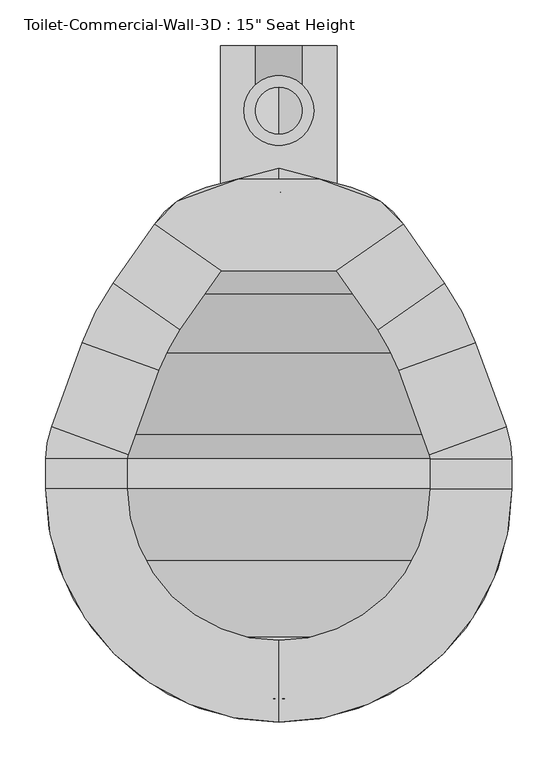
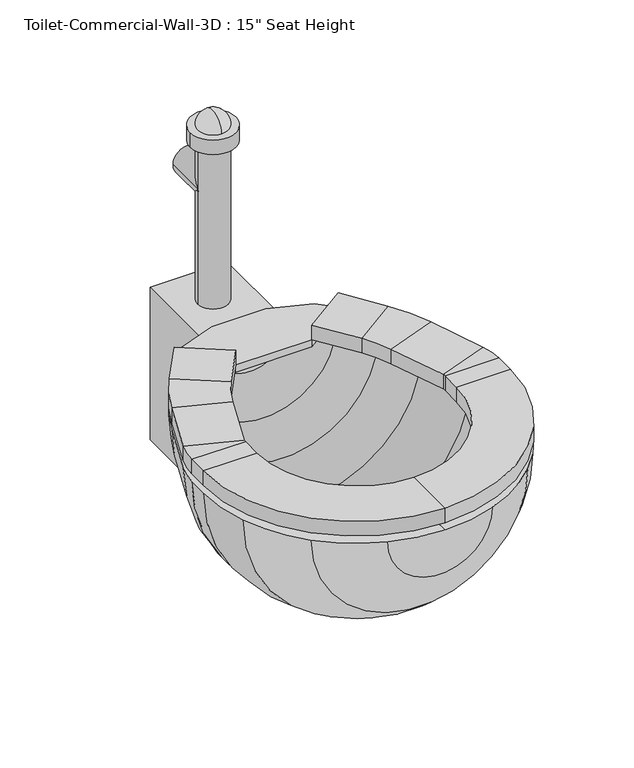
"""IFC4 building model written with IfcOpenShell, lengths in millimetres: flow terminal geometry."""

from ifc_helpers import new_model, si_unit, point, frame, frame_2d, origin, place, context, project, spatial, polyline, circle_curve, ellipse_curve, trimmed, segment, composite_curve, outline, extrude, source, transform, mapped, element, save
from ifc_brep_helpers import plane_surface, cylinder_surface, revolved_surface, advanced_brep


def flow_terminal_cba3f121(model_context):
    return source(origin(), model_context, "Body", "SolidModel", [
        extrude(outline(polyline([(467.7541169, -311.7097495), (342.0521907, -311.7097495), (269.229574, -260.7188043), (294.1800557, -235.7683226), (360.2423986, -211.7235961), (449.563909, -211.7235961), (515.6262519, -235.7683226), (540.5767337, -260.7188043), (467.7541169, -311.7097495)])), frame((0.0, 0.0, 342.9), z_axis=(0.0, 0.0, 1.0), x_axis=(1.0, 0.0, 0.0)), (0.0, 0.0, 1.0), 12.7),
        advanced_brep(
        [(467.7541169, -311.7097495, 355.6), (467.7541169, -311.7097495, 381.0), (540.5767337, -260.7188043, 381.0), (540.5767337, -260.7188043, 355.6), (585.6810159, -325.1343951, 355.6), (512.8583992, -376.1253403, 355.6), (585.6810159, -325.1343951, 381.0), (512.8583992, -376.1253403, 381.0), (619.360053, -389.8312234, 355.6), (535.821379, -420.2368141, 355.6), (619.360053, -389.8312234, 381.0), (535.821379, -420.2368141, 381.0), (652.7759241, -481.6405747, 355.6), (569.2372501, -512.0461654, 355.6), (652.7759241, -481.6405747, 381.0), (569.2372501, -512.0461654, 381.0), (658.9031538, -516.3898212, 355.6), (570.0031538, -516.3898212, 355.6), (658.9031538, -516.3898212, 381.0), (570.0031538, -516.3898212, 381.0), (658.9031538, -549.275, 355.6), (570.0031538, -549.275, 355.6), (658.9031538, -549.275, 381.0), (570.0031538, -549.275, 381.0), (404.9031538, -803.275, 355.6), (404.9031538, -714.375, 355.6), (404.9031538, -803.275, 381.0), (404.9031538, -714.375, 381.0), (150.9031538, -549.275, 355.6), (239.8031538, -549.275, 355.6), (150.9031538, -549.275, 381.0), (239.8031538, -549.275, 381.0), (150.9031538, -516.3898212, 355.6), (239.8031538, -516.3898212, 355.6), (150.9031538, -516.3898212, 381.0), (239.8031538, -516.3898212, 381.0), (157.0303835, -481.6405747, 355.6), (240.5690575, -512.0461654, 355.6), (157.0303835, -481.6405747, 381.0), (240.5690575, -512.0461654, 381.0), (190.4462546, -389.8312234, 355.6), (273.9849286, -420.2368141, 355.6), (190.4462546, -389.8312234, 381.0), (273.9849286, -420.2368141, 381.0), (224.1252917, -325.1343951, 355.6), (296.9479084, -376.1253403, 355.6), (224.1252917, -325.1343951, 381.0), (296.9479084, -376.1253403, 381.0), (342.0521907, -311.7097495, 355.6), (269.229574, -260.7188043, 355.6), (269.229574, -260.7188043, 381.0), (342.0521907, -311.7097495, 381.0)],
        [
            (0, 1),
            (1, 2),
            (2, 3),
            (3, 0),
            (3, 4),
            (4, 5),
            (5, 0),
            (2, 6),
            (6, 4),
            (1, 7),
            (7, 6),
            (5, 7),
            (8, 9),
            (9, 5, circle_curve(frame((356.8099347, -485.3916514, 355.6), z_axis=(0.0, 0.0, 1.0), x_axis=(0.81915204428899, 0.5735764363510486, 0.0)), 190.5)),
            (4, 8, circle_curve(frame((356.8099347, -485.3916514, 355.6), z_axis=(0.0, 0.0, -1.0), x_axis=(0.81915204428899, 0.5735764363510486, 0.0)), 279.4)),
            (10, 8),
            (6, 10, circle_curve(frame((356.8099347, -485.3916514, 381.0), z_axis=(0.0, 0.0, -1.0), x_axis=(0.81915204428899, 0.5735764363510486, 0.0)), 279.4)),
            (11, 10),
            (7, 11, circle_curve(frame((356.8099347, -485.3916514, 381.0), z_axis=(0.0, 0.0, -1.0), x_axis=(0.81915204428899, 0.5735764363510486, 0.0)), 190.5)),
            (9, 11),
            (8, 12),
            (12, 13),
            (13, 9),
            (10, 14),
            (14, 12),
            (11, 15),
            (15, 14),
            (13, 15),
            (16, 17),
            (17, 13, circle_curve(frame((557.3031538, -516.3898212, 355.6), z_axis=(0.0, 0.0, 1.0), x_axis=(0.9396926207859057, 0.3420201433256761, 0.0)), 12.7)),
            (12, 16, circle_curve(frame((557.3031538, -516.3898212, 355.6), z_axis=(0.0, 0.0, -1.0), x_axis=(0.9396926207859057, 0.3420201433256761, 0.0)), 101.6)),
            (18, 16),
            (14, 18, circle_curve(frame((557.3031538, -516.3898212, 381.0), z_axis=(0.0, 0.0, -1.0), x_axis=(0.9396926207859057, 0.3420201433256761, 0.0)), 101.6)),
            (19, 18),
            (15, 19, circle_curve(frame((557.3031538, -516.3898212, 381.0), z_axis=(0.0, 0.0, -1.0), x_axis=(0.9396926207859057, 0.3420201433256761, 0.0)), 12.7)),
            (17, 19),
            (16, 20),
            (20, 21),
            (21, 17),
            (18, 22),
            (22, 20),
            (19, 23),
            (23, 22),
            (21, 23),
            (24, 25),
            (25, 21, circle_curve(frame((404.9031538, -549.275, 355.6), z_axis=(0.0, 0.0, 1.0), x_axis=(1.0, 0.0, 0.0)), 165.1)),
            (20, 24, circle_curve(frame((404.9031538, -549.275, 355.6), z_axis=(0.0, 0.0, -1.0), x_axis=(1.0, 0.0, 0.0)), 254.0)),
            (26, 24),
            (22, 26, circle_curve(frame((404.9031538, -549.275, 381.0), z_axis=(0.0, 0.0, -1.0), x_axis=(1.0, 0.0, 0.0)), 254.0)),
            (27, 26),
            (23, 27, circle_curve(frame((404.9031538, -549.275, 381.0), z_axis=(0.0, 0.0, -1.0), x_axis=(1.0, 0.0, 0.0)), 165.1)),
            (25, 27),
            (28, 29),
            (29, 25, circle_curve(frame((404.9031538, -549.275, 355.6), z_axis=(0.0, 0.0, 1.0), x_axis=(0.0, -1.0, 0.0)), 165.1)),
            (24, 28, circle_curve(frame((404.9031538, -549.275, 355.6), z_axis=(0.0, 0.0, -1.0), x_axis=(0.0, -1.0, 0.0)), 254.0)),
            (30, 28),
            (26, 30, circle_curve(frame((404.9031538, -549.275, 381.0), z_axis=(0.0, 0.0, -1.0), x_axis=(0.0, -1.0, 0.0)), 254.0)),
            (31, 30),
            (27, 31, circle_curve(frame((404.9031538, -549.275, 381.0), z_axis=(0.0, 0.0, -1.0), x_axis=(0.0, -1.0, 0.0)), 165.1)),
            (29, 31),
            (28, 32),
            (32, 33),
            (33, 29),
            (30, 34),
            (34, 32),
            (31, 35),
            (35, 34),
            (33, 35),
            (36, 37),
            (37, 33, circle_curve(frame((252.5031538, -516.3898212, 355.6), z_axis=(0.0, 0.0, 1.0), x_axis=(-1.0, 0.0, 0.0)), 12.7)),
            (32, 36, circle_curve(frame((252.5031538, -516.3898212, 355.6), z_axis=(0.0, 0.0, -1.0), x_axis=(-1.0, 0.0, 0.0)), 101.6)),
            (38, 36),
            (34, 38, circle_curve(frame((252.5031538, -516.3898212, 381.0), z_axis=(0.0, 0.0, -1.0), x_axis=(-1.0, 0.0, 0.0)), 101.6)),
            (39, 38),
            (35, 39, circle_curve(frame((252.5031538, -516.3898212, 381.0), z_axis=(0.0, 0.0, -1.0), x_axis=(-1.0, 0.0, 0.0)), 12.7)),
            (37, 39),
            (36, 40),
            (40, 41),
            (41, 37),
            (38, 42),
            (42, 40),
            (39, 43),
            (43, 42),
            (41, 43),
            (44, 45),
            (45, 41, circle_curve(frame((452.9963729, -485.3916514, 355.6), z_axis=(0.0, 0.0, 1.0), x_axis=(-0.939692620785909, 0.3420201433256672, 0.0)), 190.5)),
            (40, 44, circle_curve(frame((452.9963729, -485.3916514, 355.6), z_axis=(0.0, 0.0, -1.0), x_axis=(-0.939692620785909, 0.3420201433256672, 0.0)), 279.4)),
            (46, 44),
            (42, 46, circle_curve(frame((452.9963729, -485.3916514, 381.0), z_axis=(0.0, 0.0, -1.0), x_axis=(-0.939692620785909, 0.3420201433256672, 0.0)), 279.4)),
            (47, 46),
            (43, 47, circle_curve(frame((452.9963729, -485.3916514, 381.0), z_axis=(0.0, 0.0, -1.0), x_axis=(-0.939692620785909, 0.3420201433256672, 0.0)), 190.5)),
            (45, 47),
            (48, 49),
            (49, 50),
            (50, 51),
            (51, 48),
            (44, 49),
            (48, 45),
            (46, 50),
            (47, 51),
        ],
        [
            plane_surface(frame((540.5767337, -260.7188043, 439.6203184), z_axis=(-0.5735764363510378, 0.8191520442889977, 0.0), x_axis=(0.8191520442889977, 0.5735764363510378, 0.0))),
            plane_surface(frame((467.7541169, -311.7097495, 355.6), z_axis=(0.0, 0.0, -1.0000000000000002), x_axis=(0.5735764363510382, -0.8191520442889975, 0.0))),
            plane_surface(frame((540.5767337, -260.7188043, 355.6), z_axis=(0.8191520442889976, 0.5735764363510379, 0.0), x_axis=(0.5735764363510379, -0.8191520442889976, 0.0))),
            plane_surface(frame((540.5767337, -260.7188043, 381.0), z_axis=(0.0, 0.0, 1.0), x_axis=(0.5735764363510377, -0.8191520442889977, 0.0))),
            plane_surface(frame((467.7541169, -311.7097495, 381.0), z_axis=(-0.819152044288997, -0.5735764363510387, 0.0), x_axis=(0.5735764363510387, -0.819152044288997, 0.0))),
            plane_surface(frame((356.8099347, -485.3916514, 355.6), z_axis=(0.0, 0.0, -1.0), x_axis=(0.81915204428899, 0.5735764363510486, 0.0))),
            cylinder_surface(frame((356.8099347, -485.3916514, 342.9), z_axis=(0.0, 0.0, 1.0), x_axis=(0.81915204428899, 0.5735764363510486, 0.0)), 279.4),
            plane_surface(frame((356.8099347, -485.3916514, 381.0), z_axis=(0.0, 0.0, 1.0), x_axis=(0.81915204428899, 0.5735764363510486, 0.0))),
            revolved_surface(polyline([(512.8583991370526, -376.12534027512527, 381.0), (512.8583991370526, -376.12534027512527, 355.6)]), (356.8099347, -485.3916514, 342.9), (0.0, 0.0, 1.0)),
            plane_surface(frame((535.821379, -420.2368141, 355.6), z_axis=(0.0, 0.0, -1.0), x_axis=(0.3420201433256634, -0.9396926207859103, 0.0))),
            plane_surface(frame((619.360053, -389.8312234, 355.6), z_axis=(0.9396926207859099, 0.34202014332566494, 0.0), x_axis=(0.34202014332566494, -0.9396926207859099, 0.0))),
            plane_surface(frame((619.360053, -389.8312234, 381.0), z_axis=(0.0, 0.0, 1.0), x_axis=(0.3420201433256647, -0.9396926207859099, 0.0))),
            plane_surface(frame((535.821379, -420.2368141, 381.0), z_axis=(-0.9396926207859101, -0.342020143325664, 0.0), x_axis=(0.342020143325664, -0.9396926207859101, 0.0))),
            plane_surface(frame((557.3031538, -516.3898212, 355.6), z_axis=(0.0, 0.0, -1.0000000000000002), x_axis=(0.9396926207859058, 0.34202014332567615, 0.0))),
            cylinder_surface(frame((557.3031538, -516.3898212, 342.9), z_axis=(0.0, 0.0, 1.0), x_axis=(0.9396926207859057, 0.3420201433256761, 0.0)), 101.6),
            plane_surface(frame((557.3031538, -516.3898212, 381.0), z_axis=(0.0, 0.0, 1.0000000000000002), x_axis=(0.9396926207859058, 0.34202014332567615, 0.0))),
            revolved_surface(polyline([(569.237250083981, -512.0461653797639, 381.0), (569.237250083981, -512.0461653797639, 355.6)]), (557.3031538, -516.3898212, 342.9), (0.0, 0.0, 1.0)),
            plane_surface(frame((570.0031538, -516.3898212, 355.6), z_axis=(0.0, 0.0, -1.0), x_axis=(0.0, -1.0, 0.0))),
            plane_surface(frame((658.9031538, -516.3898212, 355.6), z_axis=(1.0, 0.0, 0.0), x_axis=(0.0, -1.0, 0.0))),
            plane_surface(frame((658.9031538, -516.3898212, 381.0), z_axis=(0.0, 0.0, 1.0), x_axis=(0.0, -1.0, 0.0))),
            plane_surface(frame((570.0031538, -516.3898212, 381.0), z_axis=(-1.0, 0.0, 0.0), x_axis=(0.0, -1.0, 0.0))),
            plane_surface(frame((404.9031538, -549.275, 355.6), z_axis=(0.0, 0.0, -1.0), x_axis=(1.0, 0.0, 0.0))),
            cylinder_surface(frame((404.9031538, -549.275, 342.9), z_axis=(0.0, 0.0, 1.0), x_axis=(1.0, 0.0, 0.0)), 254.0),
            plane_surface(frame((404.9031538, -549.275, 381.0), z_axis=(0.0, 0.0, 1.0), x_axis=(1.0, 0.0, 0.0))),
            revolved_surface(polyline([(570.0031538, -549.275, 381.0), (570.0031538, -549.275, 355.6)]), (404.9031538, -549.275, 342.9), (0.0, 0.0, 1.0)),
            plane_surface(frame((404.9031538, -549.275, 355.6), z_axis=(0.0, 0.0, -1.0), x_axis=(0.0, -1.0, 0.0))),
            cylinder_surface(frame((404.9031538, -549.275, 342.9), z_axis=(0.0, 0.0, 1.0), x_axis=(0.0, -1.0, 0.0)), 254.0),
            plane_surface(frame((404.9031538, -549.275, 381.0), z_axis=(0.0, 0.0, 1.0), x_axis=(0.0, -1.0, 0.0))),
            revolved_surface(polyline([(404.9031538, -714.375, 381.0), (404.9031538, -714.375, 355.6)]), (404.9031538, -549.275, 342.9), (0.0, 0.0, 1.0)),
            plane_surface(frame((239.8031538, -549.275, 355.6), z_axis=(0.0, 0.0, -1.0), x_axis=(0.0, 1.0, 0.0))),
            plane_surface(frame((150.9031538, -549.275, 355.6), z_axis=(-1.0, 0.0, 0.0), x_axis=(0.0, 1.0, 0.0))),
            plane_surface(frame((150.9031538, -549.275, 381.0), z_axis=(0.0, 0.0, 1.0), x_axis=(0.0, 1.0, 0.0))),
            plane_surface(frame((239.8031538, -549.275, 381.0), z_axis=(1.0, 0.0, 0.0), x_axis=(0.0, 1.0, 0.0))),
            plane_surface(frame((252.5031538, -516.3898212, 355.6), z_axis=(0.0, 0.0, -1.0), x_axis=(-1.0, 0.0, 0.0))),
            cylinder_surface(frame((252.5031538, -516.3898212, 342.9), z_axis=(0.0, 0.0, 1.0), x_axis=(-1.0, 0.0, 0.0)), 101.6),
            plane_surface(frame((252.5031538, -516.3898212, 381.0), z_axis=(0.0, 0.0, 1.0), x_axis=(-1.0, 0.0, 0.0))),
            revolved_surface(polyline([(239.80315380000002, -516.3898212, 381.0), (239.80315380000002, -516.3898212, 355.6)]), (252.5031538, -516.3898212, 342.9), (0.0, 0.0, 1.0)),
            plane_surface(frame((240.5690575, -512.0461654, 355.6), z_axis=(0.0, 0.0, -1.0000000000000002), x_axis=(0.34202014332565606, 0.9396926207859131, 0.0))),
            plane_surface(frame((157.0303835, -481.6405747, 355.6), z_axis=(-0.9396926207859131, 0.34202014332565595, 0.0), x_axis=(0.34202014332565595, 0.9396926207859131, 0.0))),
            plane_surface(frame((157.0303835, -481.6405747, 381.0), z_axis=(0.0, 0.0, 1.0000000000000002), x_axis=(0.3420201433256557, 0.9396926207859132, 0.0))),
            plane_surface(frame((240.5690575, -512.0461654, 381.0), z_axis=(0.9396926207859131, -0.34202014332565606, 0.0), x_axis=(0.34202014332565606, 0.9396926207859131, 0.0))),
            plane_surface(frame((452.9963729, -485.3916514, 355.6), z_axis=(0.0, 0.0, -1.0), x_axis=(-0.939692620785909, 0.3420201433256672, 0.0))),
            cylinder_surface(frame((452.9963729, -485.3916514, 342.9), z_axis=(0.0, 0.0, 1.0), x_axis=(-0.939692620785909, 0.3420201433256672, 0.0)), 279.4),
            plane_surface(frame((452.9963729, -485.3916514, 381.0), z_axis=(0.0, 0.0, 1.0), x_axis=(-0.939692620785909, 0.3420201433256672, 0.0))),
            revolved_surface(polyline([(273.98492864028435, -420.2368140964604, 381.0), (273.98492864028435, -420.2368140964604, 355.6)]), (452.9963729, -485.3916514, 342.9), (0.0, 0.0, 1.0)),
            plane_surface(frame((269.229574, -260.7188043, 246.1796816), z_axis=(0.5735764363510499, 0.8191520442889892, 0.0), x_axis=(0.8191520442889892, -0.5735764363510499, 0.0))),
            plane_surface(frame((296.9479084, -376.1253403, 355.6), z_axis=(0.0, 0.0, -1.0), x_axis=(0.5735764363510502, 0.8191520442889889, 0.0))),
            plane_surface(frame((224.1252917, -325.1343951, 355.6), z_axis=(-0.8191520442889892, 0.5735764363510499, 0.0), x_axis=(0.5735764363510499, 0.8191520442889892, 0.0))),
            plane_surface(frame((224.1252917, -325.1343951, 381.0), z_axis=(0.0, 0.0, 1.0), x_axis=(0.5735764363510504, 0.8191520442889888, 0.0))),
            plane_surface(frame((296.9479084, -376.1253403, 381.0), z_axis=(0.8191520442889889, -0.5735764363510502, 0.0), x_axis=(0.5735764363510502, 0.8191520442889889, 0.0))),
        ],
        [
            (0, [[1, 2, 3, 4]]),
            (1, [[5, 6, 7, -4]]),
            (2, [[8, 9, -5, -3]]),
            (3, [[10, 11, -8, -2]]),
            (4, [[-7, 12, -10, -1]]),
            (5, [[13, 14, -6, 15]]),
            (6, [[16, -15, -9, 17]]),
            (7, [[18, -17, -11, 19]]),
            (8, [[20, -19, -12, -14]]),
            (9, [[21, 22, 23, -13]]),
            (10, [[24, 25, -21, -16]]),
            (11, [[26, 27, -24, -18]]),
            (12, [[-23, 28, -26, -20]]),
            (13, [[29, 30, -22, 31]]),
            (14, [[32, -31, -25, 33]]),
            (15, [[34, -33, -27, 35]]),
            (16, [[36, -35, -28, -30]]),
            (17, [[37, 38, 39, -29]]),
            (18, [[40, 41, -37, -32]]),
            (19, [[42, 43, -40, -34]]),
            (20, [[-39, 44, -42, -36]]),
            (21, [[45, 46, -38, 47]]),
            (22, [[48, -47, -41, 49]]),
            (23, [[50, -49, -43, 51]]),
            (24, [[52, -51, -44, -46]]),
            (25, [[53, 54, -45, 55]]),
            (26, [[56, -55, -48, 57]]),
            (27, [[58, -57, -50, 59]]),
            (28, [[60, -59, -52, -54]]),
            (29, [[61, 62, 63, -53]]),
            (30, [[64, 65, -61, -56]]),
            (31, [[66, 67, -64, -58]]),
            (32, [[-63, 68, -66, -60]]),
            (33, [[69, 70, -62, 71]]),
            (34, [[72, -71, -65, 73]]),
            (35, [[74, -73, -67, 75]]),
            (36, [[76, -75, -68, -70]]),
            (37, [[77, 78, 79, -69]]),
            (38, [[80, 81, -77, -72]]),
            (39, [[82, 83, -80, -74]]),
            (40, [[-79, 84, -82, -76]]),
            (41, [[85, 86, -78, 87]]),
            (42, [[88, -87, -81, 89]]),
            (43, [[90, -89, -83, 91]]),
            (44, [[92, -91, -84, -86]]),
            (45, [[93, 94, 95, 96]]),
            (46, [[97, -93, 98, -85]]),
            (47, [[99, -94, -97, -88]]),
            (48, [[100, -95, -99, -90]]),
            (49, [[-98, -96, -100, -92]]),
        ],
    ),
        advanced_brep(
        [(491.7762702, -787.9569257, 342.9), (584.5082762, -728.8801224, 342.9), (643.5850795, -636.1481164, 342.9), (658.9031538, -549.275, 342.9), (658.9031538, -516.3898212, 342.9), (652.7759241, -481.6405747, 342.9), (619.360053, -389.8312234, 342.9), (585.6810159, -325.1343951, 342.9), (540.5767337, -260.7188043, 342.9), (483.6469009, -220.8561063, 342.9), (404.9031538, -199.7567829, 342.9), (404.9031538, -226.0527978, 342.9), (468.1430637, -242.9978806, 342.9), (525.0728964, -282.8605786, 342.9), (562.9565296, -336.9640139, 342.9), (596.6355667, -401.6608422, 342.9), (628.9077315, -490.3278863, 342.9), (633.5031538, -516.3898212, 342.9), (633.5031538, -549.275, 342.9), (619.7168869, -627.4608048, 342.9), (566.547764, -710.9196102, 342.9), (483.0889586, -764.0887331, 342.9), (404.9031538, -777.875, 342.9), (404.9031538, -803.275, 342.9), (318.0300374, -787.9569257, 342.9), (326.7173491, -764.0887331, 342.9), (243.2585436, -710.9196102, 342.9), (190.0894207, -627.4608048, 342.9), (176.3031538, -549.275, 342.9), (176.3031538, -516.3898212, 342.9), (180.8985761, -490.3278863, 342.9), (213.1707409, -401.6608422, 342.9), (246.849778, -336.9640139, 342.9), (284.7334112, -282.8605786, 342.9), (341.663244, -242.9978806, 342.9), (326.1594067, -220.8561063, 342.9), (269.229574, -260.7188043, 342.9), (224.1252917, -325.1343951, 342.9), (190.4462546, -389.8312234, 342.9), (157.0303835, -481.6405747, 342.9), (150.9031538, -516.3898212, 342.9), (150.9031538, -549.275, 342.9), (166.2212281, -636.1481164, 342.9), (225.2980314, -728.8801224, 342.9)],
        [
            (0, 1, circle_curve(frame((404.9031538, -549.275, 342.9), z_axis=(0.0, 0.0, 1.0), x_axis=(1.0, 0.0, 0.0)), 254.0)),
            (1, 2, circle_curve(frame((404.9031538, -549.275, 342.9), z_axis=(0.0, 0.0, 1.0), x_axis=(1.0, 0.0, 0.0)), 254.0)),
            (2, 3, circle_curve(frame((404.9031538, -549.275, 342.9), z_axis=(0.0, 0.0, 1.0), x_axis=(1.0, 0.0, 0.0)), 254.0)),
            (3, 4),
            (4, 5, circle_curve(frame((557.3031538, -516.3898212, 342.9), z_axis=(0.0, 0.0, 1.0), x_axis=(1.0, 0.0, 0.0)), 101.6)),
            (5, 6),
            (6, 7, circle_curve(frame((356.8099347, -485.3916514, 342.9), z_axis=(0.0, 0.0, 1.0), x_axis=(1.0, 0.0, 0.0)), 279.4)),
            (7, 8),
            (8, 9, circle_curve(frame((457.350886, -318.9941703, 342.9), z_axis=(0.0, 0.0, 1.0), x_axis=(1.0, 0.0, 0.0)), 101.6)),
            (9, 10),
            (10, 11),
            (11, 12),
            (12, 13, circle_curve(frame((441.8470487, -341.1359446, 342.9), z_axis=(0.0, 0.0, -1.0), x_axis=(1.0, 0.0, 0.0)), 101.6)),
            (13, 14),
            (14, 15, circle_curve(frame((334.0854485, -497.2212703, 342.9), z_axis=(0.0, 0.0, -1.0), x_axis=(1.0, 0.0, 0.0)), 279.4)),
            (15, 16),
            (16, 17, circle_curve(frame((557.3031538, -516.3898212, 342.9), z_axis=(0.0, 0.0, -1.0), x_axis=(1.0, 0.0, 0.0)), 76.2)),
            (17, 18),
            (18, 19, circle_curve(frame((404.9031538, -549.275, 342.9), z_axis=(0.0, 0.0, -1.0), x_axis=(1.0, 0.0, 0.0)), 228.6)),
            (19, 20, circle_curve(frame((404.9031538, -549.275, 342.9), z_axis=(0.0, 0.0, -1.0), x_axis=(1.0, 0.0, 0.0)), 228.6)),
            (20, 21, circle_curve(frame((404.9031538, -549.275, 342.9), z_axis=(0.0, 0.0, -1.0), x_axis=(1.0, 0.0, 0.0)), 228.6)),
            (21, 22, circle_curve(frame((404.9031538, -549.275, 342.9), z_axis=(0.0, 0.0, -1.0), x_axis=(1.0, 0.0, 0.0)), 228.6)),
            (22, 23),
            (23, 0, circle_curve(frame((404.9031538, -549.275, 342.9), z_axis=(0.0, 0.0, 1.0), x_axis=(1.0, 0.0, 0.0)), 254.0)),
            (24, 23, circle_curve(frame((404.9031538, -549.275, 342.9), z_axis=(0.0, 0.0, 1.0), x_axis=(-1.0, 0.0, 0.0)), 254.0)),
            (22, 25, circle_curve(frame((404.9031538, -549.275, 342.9), z_axis=(0.0, 0.0, -1.0), x_axis=(-1.0, 0.0, 0.0)), 228.6)),
            (25, 26, circle_curve(frame((404.9031538, -549.275, 342.9), z_axis=(0.0, 0.0, -1.0), x_axis=(-1.0, 0.0, 0.0)), 228.6)),
            (26, 27, circle_curve(frame((404.9031538, -549.275, 342.9), z_axis=(0.0, 0.0, -1.0), x_axis=(-1.0, 0.0, 0.0)), 228.6)),
            (27, 28, circle_curve(frame((404.9031538, -549.275, 342.9), z_axis=(0.0, 0.0, -1.0), x_axis=(-1.0, 0.0, 0.0)), 228.6)),
            (28, 29),
            (29, 30, circle_curve(frame((252.5031538, -516.3898212, 342.9), z_axis=(0.0, 0.0, -1.0), x_axis=(-1.0, 0.0, 0.0)), 76.2)),
            (30, 31),
            (31, 32, circle_curve(frame((475.7208592, -497.2212703, 342.9), z_axis=(0.0, 0.0, -1.0), x_axis=(-1.0, 0.0, 0.0)), 279.4)),
            (32, 33),
            (33, 34, circle_curve(frame((367.9592589, -341.1359446, 342.9), z_axis=(0.0, 0.0, -1.0), x_axis=(-1.0, 0.0, 0.0)), 101.6)),
            (34, 11),
            (10, 35),
            (35, 36, circle_curve(frame((352.4554217, -318.9941703, 342.9), z_axis=(0.0, 0.0, 1.0), x_axis=(-1.0, 0.0, 0.0)), 101.6)),
            (36, 37),
            (37, 38, circle_curve(frame((452.9963729, -485.3916514, 342.9), z_axis=(0.0, 0.0, 1.0), x_axis=(-1.0, 0.0, 0.0)), 279.4)),
            (38, 39),
            (39, 40, circle_curve(frame((252.5031538, -516.3898212, 342.9), z_axis=(0.0, 0.0, 1.0), x_axis=(-1.0, 0.0, 0.0)), 101.6)),
            (40, 41),
            (41, 42, circle_curve(frame((404.9031538, -549.275, 342.9), z_axis=(0.0, 0.0, 1.0), x_axis=(-1.0, 0.0, 0.0)), 254.0)),
            (42, 43, circle_curve(frame((404.9031538, -549.275, 342.9), z_axis=(0.0, 0.0, 1.0), x_axis=(-1.0, 0.0, 0.0)), 254.0)),
            (43, 24, circle_curve(frame((404.9031538, -549.275, 342.9), z_axis=(0.0, 0.0, 1.0), x_axis=(-1.0, 0.0, 0.0)), 254.0)),
            (24, 0, circle_curve(frame((404.9031538, -787.9569257, 342.9), z_axis=(0.0, -1.0, 0.0), x_axis=(1.0, 0.0, 0.0)), 86.8731164)),
            (21, 25, circle_curve(frame((404.9031538, -764.0887331, 342.9), z_axis=(0.0, 1.0, 0.0), x_axis=(1.0, 0.0, 0.0)), 78.1858048)),
            (20, 26, circle_curve(frame((404.9031538, -710.9196102, 342.9), z_axis=(0.0, 1.0, 0.0), x_axis=(1.0, 0.0, 0.0)), 161.6446102)),
            (19, 27, circle_curve(frame((404.9031538, -627.4608048, 342.9), z_axis=(0.0, 1.0, 0.0), x_axis=(1.0, 0.0, 0.0)), 214.8137331)),
            (18, 28, circle_curve(frame((404.9031538, -549.275, 342.9), z_axis=(0.0, 1.0, 0.0), x_axis=(1.0, 0.0, 0.0)), 228.6)),
            (17, 29, circle_curve(frame((404.9031538, -516.3898212, 342.9), z_axis=(0.0, 1.0, 0.0), x_axis=(1.0, 0.0, 0.0)), 228.6)),
            (16, 30, circle_curve(frame((404.9031538, -490.3278863, 342.9), z_axis=(0.0, 1.0, 0.0), x_axis=(1.0, 0.0, 0.0)), 224.0045777)),
            (15, 31, circle_curve(frame((404.9031538, -401.6608422, 342.9), z_axis=(0.0, 1.0, 0.0), x_axis=(1.0, 0.0, 0.0)), 191.7324129)),
            (14, 32, circle_curve(frame((404.9031538, -336.9640139, 342.9), z_axis=(0.0, 1.0, 0.0), x_axis=(1.0, 0.0, 0.0)), 158.0533758)),
            (13, 33, circle_curve(frame((404.9031538, -282.8605786, 342.9), z_axis=(0.0, 1.0, 0.0), x_axis=(1.0, 0.0, 0.0)), 120.1697426)),
            (12, 34, circle_curve(frame((404.9031538, -242.9978806, 342.9), z_axis=(0.0, 1.0, 0.0), x_axis=(1.0, 0.0, 0.0)), 63.2399099)),
            (9, 35, circle_curve(frame((404.9031538, -220.8561063, 342.9), z_axis=(0.0, 1.0, 0.0), x_axis=(1.0, 0.0, 0.0)), 78.7437471)),
            (8, 36, circle_curve(frame((404.9031538, -260.7188043, 342.9), z_axis=(0.0, 1.0, 0.0), x_axis=(1.0, 0.0, 0.0)), 135.6735798)),
            (7, 37, circle_curve(frame((404.9031538, -325.1343951, 342.9), z_axis=(0.0, 1.0, 0.0), x_axis=(1.0, 0.0, 0.0)), 180.7778621)),
            (6, 38, circle_curve(frame((404.9031538, -389.8312234, 342.9), z_axis=(0.0, 1.0, 0.0), x_axis=(1.0, 0.0, 0.0)), 214.4568992)),
            (5, 39, circle_curve(frame((404.9031538, -481.6405747, 342.9), z_axis=(0.0, 1.0, 0.0), x_axis=(1.0, 0.0, 0.0)), 247.8727703)),
            (4, 40, circle_curve(frame((404.9031538, -516.3898212, 342.9), z_axis=(0.0, 1.0, 0.0), x_axis=(1.0, 0.0, 0.0)), 254.0)),
            (3, 41, circle_curve(frame((404.9031538, -549.275, 342.9), z_axis=(0.0, 1.0, 0.0), x_axis=(1.0, 0.0, 0.0)), 254.0)),
            (2, 42, circle_curve(frame((404.9031538, -636.1481164, 342.9), z_axis=(0.0, 1.0, 0.0), x_axis=(1.0, 0.0, 0.0)), 238.6819257)),
            (1, 43, circle_curve(frame((404.9031538, -728.8801224, 342.9), z_axis=(0.0, 1.0, 0.0), x_axis=(1.0, 0.0, 0.0)), 179.6051224)),
        ],
        [
            plane_surface(frame((404.9031538, -908.4852448, 342.9), z_axis=(0.0, 0.0, 1.0), x_axis=(1.0, 0.0, 0.0))),
            plane_surface(frame((404.9031538, -908.4852448, 342.9), z_axis=(0.0, 0.0, 1.0), x_axis=(-1.0, 0.0, 0.0))),
            revolved_surface(trimmed(ellipse_curve(frame((404.9031538, -549.275, 342.9), z_axis=(0.0, 0.0, -1.0), x_axis=(1.0, 0.0, 0.0)), 254.0, 254.0), [point((491.7762702, -787.9569257, 342.9))], [point((404.9031538, -803.275, 342.9))], True, "CARTESIAN"), (404.9031538, -908.4852448, 342.9), (0.0, -1.0, 0.0)),
            revolved_surface(trimmed(ellipse_curve(frame((404.9031538, -549.275, 342.9), z_axis=(0.0, 0.0, 1.0), x_axis=(1.0, 0.0, 0.0)), 228.6, 228.6), [point((404.9031538, -777.875, 342.9))], [point((483.0889586, -764.0887331, 342.9))], True, "CARTESIAN"), (404.9031538, -908.4852448, 342.9), (0.0, -1.0, 0.0)),
            revolved_surface(trimmed(ellipse_curve(frame((404.9031538, -549.275, 342.9), z_axis=(0.0, 0.0, 1.0), x_axis=(1.0, 0.0, 0.0)), 228.6, 228.6), [point((483.0889586, -764.0887331, 342.9))], [point((566.547764, -710.9196102, 342.9))], True, "CARTESIAN"), (404.9031538, -908.4852448, 342.9), (0.0, -1.0, 0.0)),
            revolved_surface(trimmed(ellipse_curve(frame((404.9031538, -549.275, 342.9), z_axis=(0.0, 0.0, 1.0), x_axis=(1.0, 0.0, 0.0)), 228.6, 228.6), [point((566.547764, -710.9196102, 342.9))], [point((619.7168869, -627.4608048, 342.9))], True, "CARTESIAN"), (404.9031538, -908.4852448, 342.9), (0.0, -1.0, 0.0)),
            revolved_surface(trimmed(ellipse_curve(frame((404.9031538, -549.275, 342.9), z_axis=(0.0, 0.0, 1.0), x_axis=(1.0, 0.0, 0.0)), 228.6, 228.6), [point((619.7168869, -627.4608048, 342.9))], [point((633.5031538, -549.275, 342.9))], True, "CARTESIAN"), (404.9031538, -908.4852448, 342.9), (0.0, -1.0, 0.0)),
            revolved_surface(polyline([(633.5031538, -549.275, 342.9), (633.5031538, -516.3898212, 342.9)]), (404.9031538, -908.4852448, 342.9), (0.0, -1.0, 0.0)),
            revolved_surface(trimmed(ellipse_curve(frame((557.3031538, -516.3898212, 342.9), z_axis=(0.0, 0.0, 1.0), x_axis=(1.0, 0.0, 0.0)), 76.2, 76.2), [point((633.5031538, -516.3898212, 342.9))], [point((628.9077315, -490.3278863, 342.9))], True, "CARTESIAN"), (404.9031538, -908.4852448, 342.9), (0.0, -1.0, 0.0)),
            revolved_surface(polyline([(628.9077315, -490.3278863, 342.9), (596.6355667, -401.6608422, 342.9)]), (404.9031538, -908.4852448, 342.9), (0.0, -1.0, 0.0)),
            revolved_surface(trimmed(ellipse_curve(frame((334.0854485, -497.2212703, 342.9), z_axis=(0.0, 0.0, 1.0), x_axis=(1.0, 0.0, 0.0)), 279.4, 279.4), [point((596.6355667, -401.6608422, 342.9))], [point((562.9565296, -336.9640139, 342.9))], True, "CARTESIAN"), (404.9031538, -908.4852448, 342.9), (0.0, -1.0, 0.0)),
            revolved_surface(polyline([(562.9565296, -336.9640139, 342.9), (525.0728964, -282.8605786, 342.9)]), (404.9031538, -908.4852448, 342.9), (0.0, -1.0, 0.0)),
            revolved_surface(trimmed(ellipse_curve(frame((441.8470487, -341.1359446, 342.9), z_axis=(0.0, 0.0, 1.0), x_axis=(1.0, 0.0, 0.0)), 101.6, 101.6), [point((525.0728964, -282.8605786, 342.9))], [point((468.1430637, -242.9978806, 342.9))], True, "CARTESIAN"), (404.9031538, -908.4852448, 342.9), (0.0, -1.0, 0.0)),
            revolved_surface(polyline([(468.1430637, -242.9978806, 342.9), (404.9031538, -226.0527978, 342.9)]), (404.9031538, -908.4852448, 342.9), (0.0, -1.0, 0.0)),
            revolved_surface(polyline([(404.9031538, -199.7567829, 342.9), (483.6469009, -220.8561063, 342.9)]), (404.9031538, -908.4852448, 342.9), (0.0, -1.0, 0.0)),
            revolved_surface(trimmed(ellipse_curve(frame((457.350886, -318.9941703, 342.9), z_axis=(0.0, 0.0, -1.0), x_axis=(1.0, 0.0, 0.0)), 101.6, 101.6), [point((483.6469009, -220.8561063, 342.9))], [point((540.5767337, -260.7188043, 342.9))], True, "CARTESIAN"), (404.9031538, -908.4852448, 342.9), (0.0, -1.0, 0.0)),
            revolved_surface(polyline([(540.5767337, -260.7188043, 342.9), (585.6810159, -325.1343951, 342.9)]), (404.9031538, -908.4852448, 342.9), (0.0, -1.0, 0.0)),
            revolved_surface(trimmed(ellipse_curve(frame((356.8099347, -485.3916514, 342.9), z_axis=(0.0, 0.0, -1.0), x_axis=(1.0, 0.0, 0.0)), 279.4, 279.4), [point((585.6810159, -325.1343951, 342.9))], [point((619.360053, -389.8312234, 342.9))], True, "CARTESIAN"), (404.9031538, -908.4852448, 342.9), (0.0, -1.0, 0.0)),
            revolved_surface(polyline([(619.360053, -389.8312234, 342.9), (652.7759241, -481.6405747, 342.9)]), (404.9031538, -908.4852448, 342.9), (0.0, -1.0, 0.0)),
            revolved_surface(trimmed(ellipse_curve(frame((557.3031538, -516.3898212, 342.9), z_axis=(0.0, 0.0, -1.0), x_axis=(1.0, 0.0, 0.0)), 101.6, 101.6), [point((652.7759241, -481.6405747, 342.9))], [point((658.9031538, -516.3898212, 342.9))], True, "CARTESIAN"), (404.9031538, -908.4852448, 342.9), (0.0, -1.0, 0.0)),
            cylinder_surface(frame((404.9031538, -908.4852448, 342.9), z_axis=(0.0, -1.0, 0.0), x_axis=(1.0, 0.0, 0.0)), 254.0),
            revolved_surface(trimmed(ellipse_curve(frame((404.9031538, -549.275, 342.9), z_axis=(0.0, 0.0, -1.0), x_axis=(1.0, 0.0, 0.0)), 254.0, 254.0), [point((658.9031538, -549.275, 342.9))], [point((643.5850795, -636.1481164, 342.9))], True, "CARTESIAN"), (404.9031538, -908.4852448, 342.9), (0.0, -1.0, 0.0)),
            revolved_surface(trimmed(ellipse_curve(frame((404.9031538, -549.275, 342.9), z_axis=(0.0, 0.0, -1.0), x_axis=(1.0, 0.0, 0.0)), 254.0, 254.0), [point((643.5850795, -636.1481164, 342.9))], [point((584.5082762, -728.8801224, 342.9))], True, "CARTESIAN"), (404.9031538, -908.4852448, 342.9), (0.0, -1.0, 0.0)),
            revolved_surface(trimmed(ellipse_curve(frame((404.9031538, -549.275, 342.9), z_axis=(0.0, 0.0, -1.0), x_axis=(1.0, 0.0, 0.0)), 254.0, 254.0), [point((584.5082762, -728.8801224, 342.9))], [point((491.7762702, -787.9569257, 342.9))], True, "CARTESIAN"), (404.9031538, -908.4852448, 342.9), (0.0, -1.0, 0.0)),
        ],
        [
            (0, [[1, 2, 3, 4, 5, 6, 7, 8, 9, 10, 11, 12, 13, 14, 15, 16, 17, 18, 19, 20, 21, 22, 23, 24]]),
            (1, [[25, -23, 26, 27, 28, 29, 30, 31, 32, 33, 34, 35, 36, -11, 37, 38, 39, 40, 41, 42, 43, 44, 45, 46]]),
            (2, [[-25, 47, -24]]),
            (3, [[-26, -22, 48]]),
            (4, [[-27, -48, -21, 49]]),
            (5, [[-28, -49, -20, 50]]),
            (6, [[-29, -50, -19, 51]]),
            (7, [[-30, -51, -18, 52]]),
            (8, [[-31, -52, -17, 53]]),
            (9, [[-32, -53, -16, 54]]),
            (10, [[-33, -54, -15, 55]]),
            (11, [[-34, -55, -14, 56]]),
            (12, [[-35, -56, -13, 57]]),
            (13, [[-36, -57, -12]]),
            (14, [[-37, -10, 58]]),
            (15, [[-38, -58, -9, 59]]),
            (16, [[-39, -59, -8, 60]]),
            (17, [[-40, -60, -7, 61]]),
            (18, [[-41, -61, -6, 62]]),
            (19, [[-42, -62, -5, 63]]),
            (20, [[-43, -63, -4, 64]]),
            (21, [[-44, -64, -3, 65]]),
            (22, [[-45, -65, -2, 66]]),
            (23, [[-46, -66, -1, -47]]),
        ],
    ),
        advanced_brep(
        [(404.9031538, -111.5926912, 647.7), (404.9031538, -137.2102737, 673.3175826), (404.9031538, -162.8278563, 647.7), (404.9031538, -137.2102737, 647.7)],
        [
            (0, 1, circle_curve(frame((404.9031538, -137.2102737, 647.7), z_axis=(1.0, 0.0, 0.0), x_axis=(0.0, -1.0, 0.0)), 25.6175826)),
            (1, 2, circle_curve(frame((404.9031538, -137.2102737, 647.7), z_axis=(1.0, 0.0, 0.0), x_axis=(0.0, 1.0, 0.0)), 25.6175826)),
            (2, 0, circle_curve(frame((404.9031538, -137.2102737, 647.7), z_axis=(0.0, 0.0, 1.0), x_axis=(0.0, -1.0, 0.0)), 25.6175826)),
            (0, 2, circle_curve(frame((404.9031538, -137.2102737, 647.7), z_axis=(0.0, 0.0, 1.0), x_axis=(0.0, -1.0, 0.0)), 25.6175826)),
            (3, 0),
            (2, 3),
        ],
        [
            revolved_surface(trimmed(ellipse_curve(frame((404.9031538, -137.2102737, 647.7), z_axis=(1.0, 0.0, 0.0), x_axis=(0.0, 1.0, 0.0)), 25.6175826, 25.6175826), [point((404.9031538, -137.2102737, 673.3175826))], [point((404.9031538, -162.8278563, 647.7))], True, "CARTESIAN"), (404.9031538, -137.2102737, 712.3277273), (0.0, 0.0, -1.0)),
            plane_surface(frame((404.9031538, -137.2102737, 647.7), z_axis=(0.0, 0.0, -1.0), x_axis=(0.0, -1.0, 0.0))),
        ],
        [
            (0, [[1, 2, 3]]),
            (0, [[-2, -1, 4]]),
            (1, [[5, -3, 6]]),
            (1, [[-6, -4, -5]]),
        ],
    ),
        extrude(outline(composite_curve([segment(trimmed(circle_curve(frame_2d((404.9031538, -137.2102737)), 38.1), [point((366.8031538, -137.2102737))], [point((443.0031538, -137.2102737))], False, "CARTESIAN"), True, "CONTINUOUS"), segment(trimmed(circle_curve(frame_2d((404.9031538, -137.2102737)), 38.1), [point((443.0031538, -137.2102737))], [point((366.8031538, -137.2102737))], False, "CARTESIAN"), True, "CONTINUOUS")], self_intersect=False)), frame((0.0, 0.0, 622.3), z_axis=(0.0, 0.0, 1.0), x_axis=(1.0, 0.0, 0.0)), (0.0, 0.0, 1.0), 25.4),
        extrude(outline(composite_curve([segment(trimmed(circle_curve(frame_2d((544.2113641, 404.9031538)), 25.4), [point((544.2113641, 379.5031538))], [point((544.2113641, 430.3031538))], False, "CARTESIAN"), True, "CONTINUOUS"), segment(trimmed(circle_curve(frame_2d((544.2113641, 404.9031538)), 25.4), [point((544.2113641, 430.3031538))], [point((544.2113641, 379.5031538))], False, "CARTESIAN"), True, "CONTINUOUS")], self_intersect=False)), frame((0.0, -137.31875, 0.0), z_axis=(0.0, 1.0, 0.0), x_axis=(0.0, 0.0, 1.0)), (0.0, 0.0, 1.0), 70.64375),
        extrude(outline(composite_curve([segment(trimmed(circle_curve(frame_2d((404.9031538, -137.2102737)), 25.4), [point((379.5031538, -137.2102737))], [point((430.3031538, -137.2102737))], False, "CARTESIAN"), True, "CONTINUOUS"), segment(trimmed(circle_curve(frame_2d((404.9031538, -137.2102737)), 25.4), [point((430.3031538, -137.2102737))], [point((379.5031538, -137.2102737))], False, "CARTESIAN"), True, "CONTINUOUS")], self_intersect=False)), frame((0.0, 0.0, 342.9), z_axis=(0.0, 0.0, 1.0), x_axis=(1.0, 0.0, 0.0)), (0.0, 0.0, 1.0), 279.4),
        extrude(outline(polyline([(-219.4787941, 342.9), (-66.675, 342.9), (-66.675, 76.2), (-286.7204017, 76.2), (-367.2176282, 134.0328588), (-263.1853185, 206.8770663), (-219.4787941, 269.296452), (-219.4787941, 342.9)])), frame((341.4031538, 0.0, 0.0), z_axis=(1.0, 0.0, 0.0), x_axis=(0.0, 1.0, 0.0)), (0.0, 0.0, 1.0), 127.0),
    ])


if __name__ == "__main__":
    model = new_model("IFC4")
    model_context = context("Model", 3, world=origin())
    ifc_project = project(units=[si_unit("LENGTHUNIT", "METRE", prefix="MILLI")], contexts=[model_context])
    site = spatial("IfcSite", under=ifc_project)
    building = spatial("IfcBuilding", under=site)
    placement = place(None, origin())
    flow_terminal_shape = flow_terminal_cba3f121(model_context)
    element("IfcFlowTerminal", 1, ObjectType="Toilet-Commercial-Wall-3D : 15\" Seat Height", at=placement, inside=building, context=model_context, shape_type="MappedRepresentation", body=[
        mapped(flow_terminal_shape, transform((0.0, 0.0, 0.0), x_axis=(1.0, 0.0, 0.0), y_axis=(0.0, 1.0, 0.0), z_axis=(0.0, 0.0, 1.0))),
    ])
    save(model, "model.ifc")
